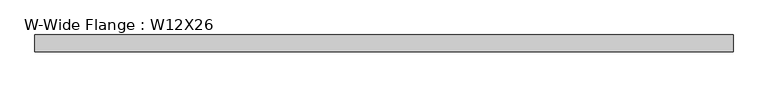
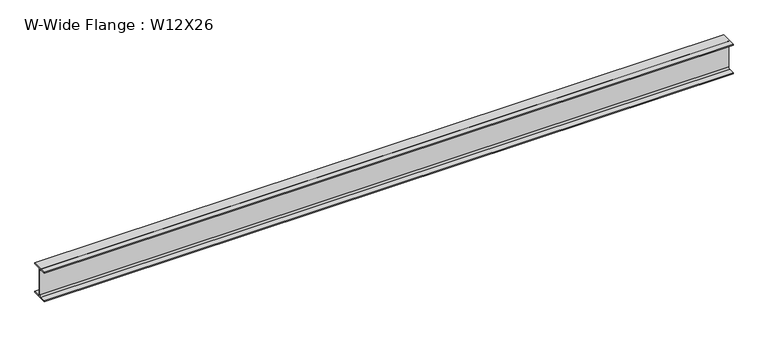
"""IFC4 building model written with IfcOpenShell, lengths in millimetres: beam geometry, W-Wide Flange : W12X26."""

from ifc_helpers import new_model, si_unit, point, frame, frame_2d, origin, place, context, project, spatial, polyline, circle_curve, trimmed, segment, composite_curve, outline, extrude, source, transform, mapped, element, save


def w_wide_flange_w12x26_21d478df(model_context):
    return source(origin(), model_context, "Body", "SweptSolid", [
        extrude(outline(composite_curve([segment(polyline([(82.4011719, -145.5539063), (82.4011719, -155.178125), (-82.4011719, -155.178125), (-82.4011719, -145.5539063), (-20.2902344, -145.5539063)]), True, "CONTINUOUS"), segment(trimmed(circle_curve(frame_2d((-20.2902344, -128.190625)), 17.3632812), [point((-20.2902344, -145.5539063))], [point((-2.9269531, -128.190625))], True, "CARTESIAN"), True, "CONTINUOUS"), segment(polyline([(-2.9269531, -128.190625), (-2.9269531, 128.190625)]), True, "CONTINUOUS"), segment(trimmed(circle_curve(frame_2d((-20.2902344, 128.190625)), 17.3632812), [point((-2.9269531, 128.190625))], [point((-20.2902344, 145.5539062))], True, "CARTESIAN"), True, "CONTINUOUS"), segment(polyline([(-20.2902344, 145.5539062), (-82.4011719, 145.5539062), (-82.4011719, 155.178125), (82.4011719, 155.178125), (82.4011719, 145.5539062), (20.2902344, 145.5539062)]), True, "CONTINUOUS"), segment(trimmed(circle_curve(frame_2d((20.2902344, 128.190625)), 17.3632812), [point((20.2902344, 145.5539062))], [point((2.9269531, 128.190625))], True, "CARTESIAN"), True, "CONTINUOUS"), segment(polyline([(2.9269531, 128.190625), (2.9269531, -128.190625)]), True, "CONTINUOUS"), segment(trimmed(circle_curve(frame_2d((20.2902344, -128.190625)), 17.3632812), [point((2.9269531, -128.190625))], [point((20.2902344, -145.5539063))], True, "CARTESIAN"), True, "CONTINUOUS"), segment(polyline([(20.2902344, -145.5539063), (82.4011719, -145.5539063)]), True, "CONTINUOUS")], self_intersect=False)), frame((-3441.7, 0.0, 0.0), z_axis=(1.0, 0.0, 0.0), x_axis=(0.0, 1.0, 0.0)), (0.0, 0.0, 1.0), 6883.4),
    ])


if __name__ == "__main__":
    model = new_model("IFC4")
    model_context = context("Model", 3, world=origin())
    ifc_project = project(units=[si_unit("LENGTHUNIT", "METRE", prefix="MILLI")], contexts=[model_context])
    site = spatial("IfcSite", under=ifc_project)
    building = spatial("IfcBuilding", under=site)
    placement = place(None, origin())
    w_wide_flange_w12x26_shape = w_wide_flange_w12x26_21d478df(model_context)
    element("IfcBeam", 1, ObjectType="W-Wide Flange : W12X26", at=placement, inside=building, context=model_context, shape_type="MappedRepresentation", body=[
        mapped(w_wide_flange_w12x26_shape, transform((0.0, 0.0, 0.0), x_axis=(1.0, 0.0, 0.0), y_axis=(0.0, 1.0, 0.0), z_axis=(0.0, 0.0, 1.0))),
    ])
    save(model, "model.ifc")
